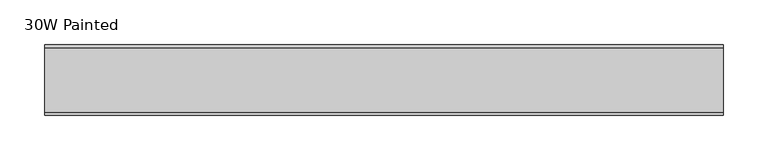
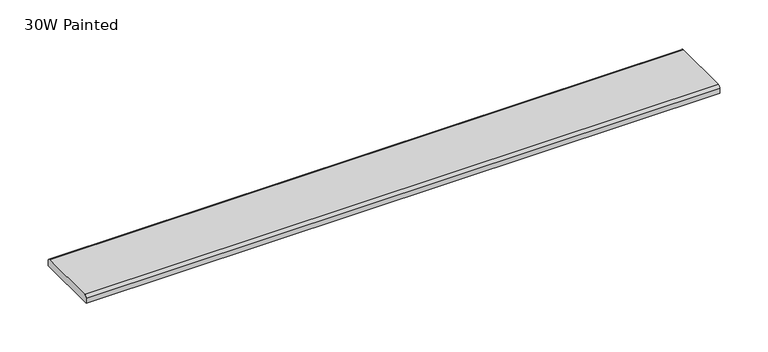
"""IFC4 building model written with IfcOpenShell, lengths in millimetres: furniture geometry, 30W Painted."""

from ifc_helpers import new_model, si_unit, point, frame, frame_2d, origin, place, context, project, spatial, polyline, circle_curve, trimmed, segment, composite_curve, outline, extrude, source, transform, mapped, element, save


def furniture_30w_painted_ad52b268(model_context):
    return source(origin(), model_context, "Body", "SweptSolid", [
        extrude(outline(composite_curve([segment(polyline([(37.5704018, 1156.716), (37.5704018, 1150.366), (-40.8679732, 1150.366), (-40.8679732, 1156.716)]), True, "CONTINUOUS"), segment(trimmed(circle_curve(frame_2d((-37.6929732, 1156.716)), 3.175), [point((-40.8679732, 1156.716))], [point((-37.6929732, 1159.891))], False, "CARTESIAN"), True, "CONTINUOUS"), segment(polyline([(-37.6929732, 1159.891), (34.3954018, 1159.891)]), True, "CONTINUOUS"), segment(trimmed(circle_curve(frame_2d((34.3954018, 1156.716)), 3.175), [point((34.3954018, 1159.891))], [point((37.5704018, 1156.716))], False, "CARTESIAN"), True, "CONTINUOUS")], self_intersect=False)), frame((-378.774325, 0.0, 0.0), z_axis=(1.0, 0.0, 0.0), x_axis=(0.0, 1.0, 0.0)), (0.0, 0.0, 1.0), 757.555),
    ])


if __name__ == "__main__":
    model = new_model("IFC4")
    model_context = context("Model", 3, world=origin())
    ifc_project = project(units=[si_unit("LENGTHUNIT", "METRE", prefix="MILLI")], contexts=[model_context])
    site = spatial("IfcSite", under=ifc_project)
    building = spatial("IfcBuilding", under=site)
    placement = place(None, origin())
    furniture_30w_painted_shape = furniture_30w_painted_ad52b268(model_context)
    element("IfcFurniture", 1, ObjectType="30W Painted", at=placement, inside=building, context=model_context, shape_type="MappedRepresentation", body=[
        mapped(furniture_30w_painted_shape, transform((0.0, 0.0, 0.0), x_axis=(1.0, 0.0, 0.0), y_axis=(0.0, 1.0, 0.0), z_axis=(0.0, 0.0, 1.0))),
    ])
    save(model, "model.ifc")
